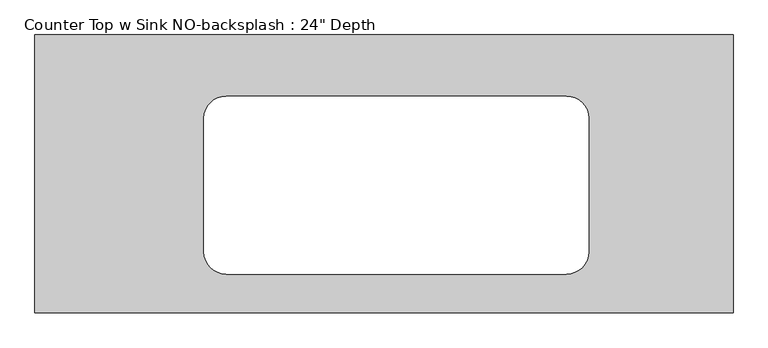
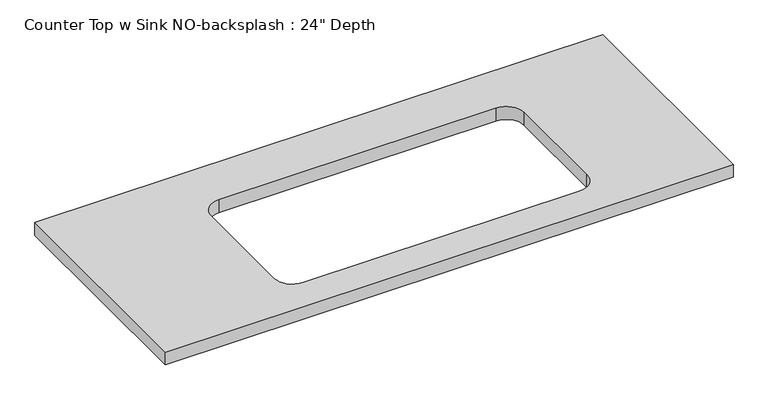
"""IFC4 building model written with IfcOpenShell, lengths in millimetres: furniture geometry."""

from ifc_helpers import new_model, si_unit, point, frame, frame_2d, origin, place, context, project, spatial, polyline, circle_curve, trimmed, segment, composite_curve, outline, extrude, source, transform, mapped, element, save


def furniture_e4105f67(model_context):
    return source(origin(), model_context, "Body", "SweptSolid", [
        extrude(outline(polyline([(724.3050919, 0.0), (724.3050919, -635.0), (-870.2622951, -635.0), (-870.2622951, 0.0), (724.3050919, 0.0)]), holes=[composite_curve([segment(polyline([(343.7655827, -139.7), (-433.2901728, -139.7)]), True, "CONTINUOUS"), segment(trimmed(circle_curve(frame_2d((-433.2901728, -190.5)), 50.8), [point((-433.2901728, -139.7))], [point((-484.0901728, -190.5))], True, "CARTESIAN"), True, "CONTINUOUS"), segment(polyline([(-484.0901728, -190.5), (-484.0901728, -495.3)]), True, "CONTINUOUS"), segment(trimmed(circle_curve(frame_2d((-433.2901728, -495.3)), 50.8), [point((-484.0901728, -495.3))], [point((-433.2901728, -546.1))], True, "CARTESIAN"), True, "CONTINUOUS"), segment(polyline([(-433.2901728, -546.1), (343.7655827, -546.1)]), True, "CONTINUOUS"), segment(trimmed(circle_curve(frame_2d((343.7655827, -495.3)), 50.8), [point((343.7655827, -546.1))], [point((394.5655827, -495.3))], True, "CARTESIAN"), True, "CONTINUOUS"), segment(polyline([(394.5655827, -495.3), (394.5655827, -190.5)]), True, "CONTINUOUS"), segment(trimmed(circle_curve(frame_2d((343.7655827, -190.5)), 50.8), [point((394.5655827, -190.5))], [point((343.7655827, -139.7))], True, "CARTESIAN"), True, "CONTINUOUS")], self_intersect=False)]), frame((0.0, 0.0, 876.3), z_axis=(0.0, 0.0, 1.0), x_axis=(1.0, 0.0, 0.0)), (0.0, 0.0, 1.0), 38.1),
    ])


if __name__ == "__main__":
    model = new_model("IFC4")
    model_context = context("Model", 3, world=origin())
    ifc_project = project(units=[si_unit("LENGTHUNIT", "METRE", prefix="MILLI")], contexts=[model_context])
    site = spatial("IfcSite", under=ifc_project)
    building = spatial("IfcBuilding", under=site)
    placement = place(None, origin())
    furniture_shape = furniture_e4105f67(model_context)
    element("IfcFurniture", 1, ObjectType="Counter Top w Sink NO-backsplash : 24\" Depth", at=placement, inside=building, context=model_context, shape_type="MappedRepresentation", body=[
        mapped(furniture_shape, transform((0.0, 0.0, 0.0), x_axis=(1.0, 0.0, 0.0), y_axis=(0.0, 1.0, 0.0), z_axis=(0.0, 0.0, 1.0))),
    ])
    save(model, "model.ifc")
